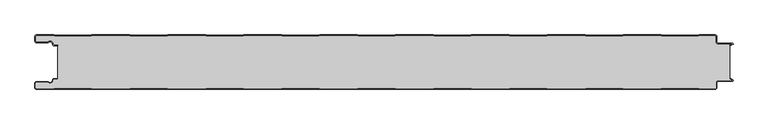
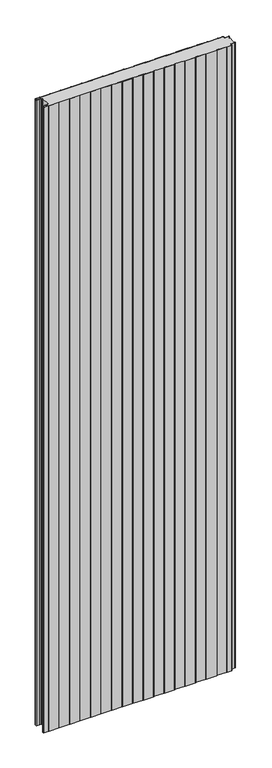
"""IFC4 building model written with IfcOpenShell, lengths in millimetres: plate geometry."""

from ifc_helpers import new_model, si_unit, point, frame_2d, origin, origin_with_axes, place, context, project, spatial, polyline, circle_curve, trimmed, segment, composite_curve, outline, extrude, source, transform, mapped, element, save


def plate_7081db1e(model_context):
    return source(origin(), model_context, "Body", "SweptSolid", [
        extrude(outline(composite_curve([segment(trimmed(circle_curve(frame_2d((-497.49499, -9.0180361)), 2.50501), [point((-497.49499, -11.5230461))], [point((-500.0, -9.0180361))], False, "CARTESIAN"), True, "CONTINUOUS"), segment(polyline([(-500.0, -9.0180361), (-500.0, -2.50501)]), True, "CONTINUOUS"), segment(trimmed(circle_curve(frame_2d((-497.49499, -2.50501)), 2.50501), [point((-500.0, -2.50501))], [point((-497.49499, 0.0))], False, "CARTESIAN"), True, "CONTINUOUS"), segment(polyline([(-497.49499, 0.0), (-472.2103007, 0.0), (-471.028188, -0.6012024), (-417.6391467, -0.6012024), (-416.457034, 0.0), (-360.8776353, 0.0), (-359.6955227, -0.6012024), (-306.3064814, -0.6012024), (-305.1243687, 0.0), (-249.54497, 0.0), (-248.3628573, -0.6012024), (-194.973816, -0.6012024), (-193.7917033, 0.0), (-138.2123047, 0.0), (-137.030192, -0.6012024), (-83.6411507, -0.6012024), (-82.459038, 0.0), (-26.8796393, 0.0), (-25.6975267, -0.6012024), (27.6915146, -0.6012024), (28.8736273, 0.0), (84.453026, 0.0), (85.6351387, -0.6012024), (139.02418, -0.6012024), (140.2062927, 0.0), (195.7856913, 0.0), (196.967804, -0.6012024), (250.3568453, -0.6012024), (251.538958, 0.0), (307.1183566, 0.0), (308.3004693, -0.6012024), (361.6895106, -0.6012024), (362.8716233, 0.0), (418.451022, 0.0), (419.6331347, -0.6012024), (473.022176, -0.6012024), (474.2042886, 0.0), (497.49499, 0.0)]), True, "CONTINUOUS"), segment(trimmed(circle_curve(frame_2d((497.49499, -2.50501)), 2.50501), [point((497.49499, 0.0))], [point((500.0, -2.50501))], False, "CARTESIAN"), True, "CONTINUOUS"), segment(polyline([(500.0, -2.50501), (500.0, -10.0200401)]), True, "CONTINUOUS"), segment(trimmed(circle_curve(frame_2d((502.004008, -10.0200401)), 2.004008), [point((500.0, -10.0200401))], [point((502.004008, -12.0240481))], True, "CARTESIAN"), True, "CONTINUOUS"), segment(polyline([(502.004008, -12.0240481), (523.0460922, -12.0240481)]), True, "CONTINUOUS"), segment(trimmed(circle_curve(frame_2d((523.0460922, -13.0260521)), 1.002004), [point((523.0460922, -12.0240481))], [point((523.5470942, -13.893813))], False, "CARTESIAN"), True, "CONTINUOUS"), segment(polyline([(523.5470942, -13.893813), (519.5390782, -16.2078422), (519.1390782, -15.5150218), (522.183956, -13.7570608)]), True, "CONTINUOUS"), segment(trimmed(circle_curve(frame_2d((521.933956, -13.3240481)), 0.5), [point((522.183956, -13.7570608))], [point((521.933956, -12.8240481))], True, "CARTESIAN"), True, "CONTINUOUS"), segment(polyline([(521.933956, -12.8240481), (502.004008, -12.8240481)]), True, "CONTINUOUS"), segment(trimmed(circle_curve(frame_2d((502.004008, -10.0200401)), 2.804008), [point((502.004008, -12.8240481))], [point((499.2, -10.0200401))], False, "CARTESIAN"), True, "CONTINUOUS"), segment(polyline([(499.2, -10.0200401), (499.2, -2.50501)]), True, "CONTINUOUS"), segment(trimmed(circle_curve(frame_2d((497.49499, -2.50501)), 1.70501), [point((499.2, -2.50501))], [point((497.49499, -0.8))], True, "CARTESIAN"), True, "CONTINUOUS"), segment(polyline([(497.49499, -0.8), (474.396035, -0.8), (473.2139223, -1.4012024), (419.4413883, -1.4012024), (418.2592756, -0.8), (363.0633697, -0.8), (361.881257, -1.4012024), (308.108723, -1.4012024), (306.9266103, -0.8), (251.7307044, -0.8), (250.5485917, -1.4012024), (196.7760576, -1.4012024), (195.5939449, -0.8), (140.398039, -0.8), (139.2159263, -1.4012024), (85.4433923, -1.4012024), (84.2612796, -0.8), (29.0653737, -0.8), (27.883261, -1.4012024), (-25.889273, -1.4012024), (-27.0713857, -0.8), (-82.2672916, -0.8), (-83.4494043, -1.4012024), (-137.2219384, -1.4012024), (-138.4040511, -0.8), (-193.599957, -0.8), (-194.7820696, -1.4012024), (-248.5546037, -1.4012024), (-249.7367164, -0.8), (-304.9326223, -0.8), (-306.114735, -1.4012024), (-359.887269, -1.4012024), (-361.0693817, -0.8), (-416.2652876, -0.8), (-417.4474003, -1.4012024), (-471.2199344, -1.4012024), (-472.4020471, -0.8), (-497.49499, -0.8)]), True, "CONTINUOUS"), segment(trimmed(circle_curve(frame_2d((-497.49499, -2.50501)), 1.70501), [point((-497.49499, -0.8))], [point((-499.2, -2.50501))], True, "CARTESIAN"), True, "CONTINUOUS"), segment(polyline([(-499.2, -2.50501), (-499.2, -9.0180361)]), True, "CONTINUOUS"), segment(trimmed(circle_curve(frame_2d((-497.49499, -9.0180361)), 1.70501), [point((-499.2, -9.0180361))], [point((-497.49499, -10.7230461))], True, "CARTESIAN"), True, "CONTINUOUS"), segment(polyline([(-497.49499, -10.7230461), (-481.8173283, -10.7230461)]), True, "CONTINUOUS"), segment(trimmed(circle_curve(frame_2d((-481.8173283, -9.0180361)), 1.70501), [point((-481.8173283, -10.7230461))], [point((-480.6895701, -10.2967936))], True, "CARTESIAN"), True, "CONTINUOUS"), segment(trimmed(circle_curve(frame_2d((-477.8407481, -13.5270541)), 4.307014), [point((-480.6895701, -10.2967936))], [point((-473.7934788, -12.0539686))], False, "CARTESIAN"), True, "CONTINUOUS"), segment(polyline([(-473.7934788, -12.0539686), (-473.0450711, -14.1102019)]), True, "CONTINUOUS"), segment(trimmed(circle_curve(frame_2d((-471.4428858, -13.5270541)), 1.70501), [point((-473.0450711, -14.1102019))], [point((-471.4428858, -15.2320641))], True, "CARTESIAN"), True, "CONTINUOUS"), segment(polyline([(-471.4428858, -15.2320641), (-466.4328657, -15.2320641), (-466.4328657, -16.0320641), (-471.4428858, -16.0320641)]), True, "CONTINUOUS"), segment(trimmed(circle_curve(frame_2d((-471.4428858, -13.5270541)), 2.50501), [point((-471.4428858, -16.0320641))], [point((-473.7968252, -14.383818))], False, "CARTESIAN"), True, "CONTINUOUS"), segment(polyline([(-473.7968252, -14.383818), (-474.5452329, -12.3275847)]), True, "CONTINUOUS"), segment(trimmed(circle_curve(frame_2d((-477.8407481, -13.5270541)), 3.507014), [point((-474.5452329, -12.3275847))], [point((-480.1604199, -10.8967936))], True, "CARTESIAN"), True, "CONTINUOUS"), segment(trimmed(circle_curve(frame_2d((-481.8173283, -9.0180361)), 2.50501), [point((-480.1604199, -10.8967936))], [point((-481.8173283, -11.5230461))], False, "CARTESIAN"), True, "CONTINUOUS"), segment(polyline([(-481.8173283, -11.5230461), (-497.49499, -11.5230461)]), True, "CONTINUOUS")], self_intersect=False)), origin_with_axes(), (0.0, 0.0, 1.0), 3500.0),
        extrude(outline(composite_curve([segment(trimmed(circle_curve(frame_2d((-471.4428858, -13.5270541)), 1.70501), [point((-471.4428858, -15.2320641))], [point((-473.0450711, -14.1102019))], False, "CARTESIAN"), True, "CONTINUOUS"), segment(polyline([(-473.0450711, -14.1102019), (-473.7934788, -12.0539686)]), True, "CONTINUOUS"), segment(trimmed(circle_curve(frame_2d((-477.8407481, -13.5270541)), 4.307014), [point((-473.7934788, -12.0539686))], [point((-480.6895701, -10.2967936))], True, "CARTESIAN"), True, "CONTINUOUS"), segment(trimmed(circle_curve(frame_2d((-481.8173283, -9.0180361)), 1.70501), [point((-480.6895701, -10.2967936))], [point((-481.8173283, -10.7230461))], False, "CARTESIAN"), True, "CONTINUOUS"), segment(polyline([(-481.8173283, -10.7230461), (-497.49499, -10.7230461)]), True, "CONTINUOUS"), segment(trimmed(circle_curve(frame_2d((-497.49499, -9.0180361)), 1.70501), [point((-497.49499, -10.7230461))], [point((-499.2, -9.0180361))], False, "CARTESIAN"), True, "CONTINUOUS"), segment(polyline([(-499.2, -9.0180361), (-499.2, -2.50501)]), True, "CONTINUOUS"), segment(trimmed(circle_curve(frame_2d((-497.49499, -2.50501)), 1.70501), [point((-499.2, -2.50501))], [point((-497.49499, -0.8))], False, "CARTESIAN"), True, "CONTINUOUS"), segment(polyline([(-497.49499, -0.8), (-472.4020471, -0.8), (-471.2199344, -1.4012024), (-417.4474003, -1.4012024), (-416.2652876, -0.8), (-361.0693817, -0.8), (-359.887269, -1.4012024), (-306.114735, -1.4012024), (-304.9326223, -0.8), (-249.7367164, -0.8), (-248.5546037, -1.4012024), (-194.7820696, -1.4012024), (-193.599957, -0.8), (-138.4040511, -0.8), (-137.2219384, -1.4012024), (-83.4494043, -1.4012024), (-82.2672916, -0.8), (-27.0713857, -0.8), (-25.889273, -1.4012024), (27.883261, -1.4012024), (29.0653737, -0.8), (84.2612796, -0.8), (85.4433923, -1.4012024), (139.2159263, -1.4012024), (140.398039, -0.8), (195.5939449, -0.8), (196.7760576, -1.4012024), (250.5485917, -1.4012024), (251.7307044, -0.8), (306.9266103, -0.8), (308.108723, -1.4012024), (361.881257, -1.4012024), (363.0633697, -0.8), (418.2592756, -0.8), (419.4413883, -1.4012024), (473.2139223, -1.4012024), (474.396035, -0.8), (497.49499, -0.8)]), True, "CONTINUOUS"), segment(trimmed(circle_curve(frame_2d((497.49499, -2.50501)), 1.70501), [point((497.49499, -0.8))], [point((499.2, -2.50501))], False, "CARTESIAN"), True, "CONTINUOUS"), segment(polyline([(499.2, -2.50501), (499.2, -10.0200401)]), True, "CONTINUOUS"), segment(trimmed(circle_curve(frame_2d((502.004008, -10.0200401)), 2.804008), [point((499.2, -10.0200401))], [point((502.004008, -12.8240481))], True, "CARTESIAN"), True, "CONTINUOUS"), segment(polyline([(502.004008, -12.8240481), (521.933956, -12.8240481)]), True, "CONTINUOUS"), segment(trimmed(circle_curve(frame_2d((521.933956, -13.3240481)), 0.5), [point((521.933956, -12.8240481))], [point((522.183956, -13.7570608))], False, "CARTESIAN"), True, "CONTINUOUS"), segment(polyline([(522.183956, -13.7570608), (519.1390782, -15.5150218), (519.1390782, -64.4849782), (522.183956, -66.2429392)]), True, "CONTINUOUS"), segment(trimmed(circle_curve(frame_2d((521.933956, -66.6759519)), 0.5), [point((522.183956, -66.2429392))], [point((521.933956, -67.1759519))], False, "CARTESIAN"), True, "CONTINUOUS"), segment(polyline([(521.933956, -67.1759519), (502.004008, -67.1759519)]), True, "CONTINUOUS"), segment(trimmed(circle_curve(frame_2d((502.004008, -69.9799599)), 2.804008), [point((502.004008, -67.1759519))], [point((499.2, -69.9799599))], True, "CARTESIAN"), True, "CONTINUOUS"), segment(polyline([(499.2, -69.9799599), (499.2, -77.49499)]), True, "CONTINUOUS"), segment(trimmed(circle_curve(frame_2d((497.49499, -77.49499)), 1.70501), [point((499.2, -77.49499))], [point((497.49499, -79.2))], False, "CARTESIAN"), True, "CONTINUOUS"), segment(polyline([(497.49499, -79.2), (474.396035, -79.2), (473.2139223, -78.5987976), (419.4413883, -78.5987976), (418.2592756, -79.2), (363.0633697, -79.2), (361.881257, -78.5987976), (308.108723, -78.5987976), (306.9266103, -79.2), (251.7307044, -79.2), (250.5485917, -78.5987976), (196.7760576, -78.5987976), (195.5939449, -79.2), (140.398039, -79.2), (139.2159263, -78.5987976), (85.4433923, -78.5987976), (84.2612796, -79.2), (29.0653737, -79.2), (27.883261, -78.5987976), (-25.889273, -78.5987976), (-27.0713857, -79.2), (-82.2672916, -79.2), (-83.4494043, -78.5987976), (-137.2219384, -78.5987976), (-138.4040511, -79.2), (-193.599957, -79.2), (-194.7820696, -78.5987976), (-248.5546037, -78.5987976), (-249.7367164, -79.2), (-304.9326223, -79.2), (-306.114735, -78.5987976), (-359.887269, -78.5987976), (-361.0693817, -79.2), (-416.2652876, -79.2), (-417.4474003, -78.5987976), (-471.2199344, -78.5987976), (-472.4020471, -79.2), (-497.49499, -79.2)]), True, "CONTINUOUS"), segment(trimmed(circle_curve(frame_2d((-497.49499, -77.49499)), 1.70501), [point((-497.49499, -79.2))], [point((-499.2, -77.49499))], False, "CARTESIAN"), True, "CONTINUOUS"), segment(polyline([(-499.2, -77.49499), (-499.2, -70.9819639)]), True, "CONTINUOUS"), segment(trimmed(circle_curve(frame_2d((-497.49499, -70.9819639)), 1.70501), [point((-499.2, -70.9819639))], [point((-497.49499, -69.2769539))], False, "CARTESIAN"), True, "CONTINUOUS"), segment(polyline([(-497.49499, -69.2769539), (-481.8173283, -69.2769539)]), True, "CONTINUOUS"), segment(trimmed(circle_curve(frame_2d((-481.8173283, -70.9819639)), 1.70501), [point((-481.8173283, -69.2769539))], [point((-480.6895701, -69.7032064))], False, "CARTESIAN"), True, "CONTINUOUS"), segment(trimmed(circle_curve(frame_2d((-477.8407481, -66.4729459)), 4.307014), [point((-480.6895701, -69.7032064))], [point((-473.7934788, -67.9460314))], True, "CARTESIAN"), True, "CONTINUOUS"), segment(polyline([(-473.7934788, -67.9460314), (-473.0450711, -65.8897981)]), True, "CONTINUOUS"), segment(trimmed(circle_curve(frame_2d((-471.4428858, -66.4729459)), 1.70501), [point((-473.0450711, -65.8897981))], [point((-471.4428858, -64.7679359))], False, "CARTESIAN"), True, "CONTINUOUS"), segment(polyline([(-471.4428858, -64.7679359), (-466.4328657, -64.7679359), (-466.4328657, -15.2320641), (-471.4428858, -15.2320641)]), True, "CONTINUOUS")], self_intersect=False)), origin_with_axes(), (0.0, 0.0, 1.0), 3500.0),
        extrude(outline(composite_curve([segment(polyline([(-497.49499, -68.4769539), (-481.8173283, -68.4769539)]), True, "CONTINUOUS"), segment(trimmed(circle_curve(frame_2d((-481.8173283, -70.9819639)), 2.50501), [point((-481.8173283, -68.4769539))], [point((-480.1604199, -69.1032064))], False, "CARTESIAN"), True, "CONTINUOUS"), segment(trimmed(circle_curve(frame_2d((-477.8407481, -66.4729459)), 3.507014), [point((-480.1604199, -69.1032064))], [point((-474.5452329, -67.6724153))], True, "CARTESIAN"), True, "CONTINUOUS"), segment(polyline([(-474.5452329, -67.6724153), (-473.7968252, -65.616182)]), True, "CONTINUOUS"), segment(trimmed(circle_curve(frame_2d((-471.4428858, -66.4729459)), 2.50501), [point((-473.7968252, -65.616182))], [point((-471.4428858, -63.9679359))], False, "CARTESIAN"), True, "CONTINUOUS"), segment(polyline([(-471.4428858, -63.9679359), (-466.4328657, -63.9679359), (-466.4328657, -64.7679359), (-471.4428858, -64.7679359)]), True, "CONTINUOUS"), segment(trimmed(circle_curve(frame_2d((-471.4428858, -66.4729459)), 1.70501), [point((-471.4428858, -64.7679359))], [point((-473.0450711, -65.8897981))], True, "CARTESIAN"), True, "CONTINUOUS"), segment(polyline([(-473.0450711, -65.8897981), (-473.7934788, -67.9460314)]), True, "CONTINUOUS"), segment(trimmed(circle_curve(frame_2d((-477.8407481, -66.4729459)), 4.307014), [point((-473.7934788, -67.9460314))], [point((-480.6895701, -69.7032064))], False, "CARTESIAN"), True, "CONTINUOUS"), segment(trimmed(circle_curve(frame_2d((-481.8173283, -70.9819639)), 1.70501), [point((-480.6895701, -69.7032064))], [point((-481.8173283, -69.2769539))], True, "CARTESIAN"), True, "CONTINUOUS"), segment(polyline([(-481.8173283, -69.2769539), (-497.49499, -69.2769539)]), True, "CONTINUOUS"), segment(trimmed(circle_curve(frame_2d((-497.49499, -70.9819639)), 1.70501), [point((-497.49499, -69.2769539))], [point((-499.2, -70.9819639))], True, "CARTESIAN"), True, "CONTINUOUS"), segment(polyline([(-499.2, -70.9819639), (-499.2, -77.49499)]), True, "CONTINUOUS"), segment(trimmed(circle_curve(frame_2d((-497.49499, -77.49499)), 1.70501), [point((-499.2, -77.49499))], [point((-497.49499, -79.2))], True, "CARTESIAN"), True, "CONTINUOUS"), segment(polyline([(-497.49499, -79.2), (-472.4020471, -79.2), (-471.2199344, -78.5987976), (-417.4474003, -78.5987976), (-416.2652876, -79.2), (-361.0693817, -79.2), (-359.887269, -78.5987976), (-306.114735, -78.5987976), (-304.9326223, -79.2), (-249.7367164, -79.2), (-248.5546037, -78.5987976), (-194.7820696, -78.5987976), (-193.599957, -79.2), (-138.4040511, -79.2), (-137.2219384, -78.5987976), (-83.4494043, -78.5987976), (-82.2672916, -79.2), (-27.0713857, -79.2), (-25.889273, -78.5987976), (27.883261, -78.5987976), (29.0653737, -79.2), (84.2612796, -79.2), (85.4433923, -78.5987976), (139.2159263, -78.5987976), (140.398039, -79.2), (195.5939449, -79.2), (196.7760576, -78.5987976), (250.5485917, -78.5987976), (251.7307044, -79.2), (306.9266103, -79.2), (308.108723, -78.5987976), (361.881257, -78.5987976), (363.0633697, -79.2), (418.2592756, -79.2), (419.4413883, -78.5987976), (473.2139223, -78.5987976), (474.396035, -79.2), (497.49499, -79.2)]), True, "CONTINUOUS"), segment(trimmed(circle_curve(frame_2d((497.49499, -77.49499)), 1.70501), [point((497.49499, -79.2))], [point((499.2, -77.49499))], True, "CARTESIAN"), True, "CONTINUOUS"), segment(polyline([(499.2, -77.49499), (499.2, -69.9799599)]), True, "CONTINUOUS"), segment(trimmed(circle_curve(frame_2d((502.004008, -69.9799599)), 2.804008), [point((499.2, -69.9799599))], [point((502.004008, -67.1759519))], False, "CARTESIAN"), True, "CONTINUOUS"), segment(polyline([(502.004008, -67.1759519), (521.933956, -67.1759519)]), True, "CONTINUOUS"), segment(trimmed(circle_curve(frame_2d((521.933956, -66.6759519)), 0.5), [point((521.933956, -67.1759519))], [point((522.183956, -66.2429392))], True, "CARTESIAN"), True, "CONTINUOUS"), segment(polyline([(522.183956, -66.2429392), (519.1390782, -64.4849782), (519.5390782, -63.7921578), (523.5470942, -66.106187)]), True, "CONTINUOUS"), segment(trimmed(circle_curve(frame_2d((523.0460922, -66.9739479)), 1.002004), [point((523.5470942, -66.106187))], [point((523.0460922, -67.9759519))], False, "CARTESIAN"), True, "CONTINUOUS"), segment(polyline([(523.0460922, -67.9759519), (502.004008, -67.9759519)]), True, "CONTINUOUS"), segment(trimmed(circle_curve(frame_2d((502.004008, -69.9799599)), 2.004008), [point((502.004008, -67.9759519))], [point((500.0, -69.9799599))], True, "CARTESIAN"), True, "CONTINUOUS"), segment(polyline([(500.0, -69.9799599), (500.0, -77.49499)]), True, "CONTINUOUS"), segment(trimmed(circle_curve(frame_2d((497.49499, -77.49499)), 2.50501), [point((500.0, -77.49499))], [point((497.49499, -80.0))], False, "CARTESIAN"), True, "CONTINUOUS"), segment(polyline([(497.49499, -80.0), (474.2042886, -80.0), (473.022176, -79.3987976), (419.6331347, -79.3987976), (418.451022, -80.0), (362.8716233, -80.0), (361.6895106, -79.3987976), (308.3004693, -79.3987976), (307.1183566, -80.0), (251.538958, -80.0), (250.3568453, -79.3987976), (196.967804, -79.3987976), (195.7856913, -80.0), (140.2062927, -80.0), (139.02418, -79.3987976), (85.6351387, -79.3987976), (84.453026, -80.0), (28.8736273, -80.0), (27.6915146, -79.3987976), (-25.6975267, -79.3987976), (-26.8796393, -80.0), (-82.459038, -80.0), (-83.6411507, -79.3987976), (-137.030192, -79.3987976), (-138.2123047, -80.0), (-193.7917033, -80.0), (-194.973816, -79.3987976), (-248.3628573, -79.3987976), (-249.54497, -80.0), (-305.1243687, -80.0), (-306.3064814, -79.3987976), (-359.6955227, -79.3987976), (-360.8776353, -80.0), (-416.457034, -80.0), (-417.6391467, -79.3987976), (-471.028188, -79.3987976), (-472.2103007, -80.0), (-497.49499, -80.0)]), True, "CONTINUOUS"), segment(trimmed(circle_curve(frame_2d((-497.49499, -77.49499)), 2.50501), [point((-497.49499, -80.0))], [point((-500.0, -77.49499))], False, "CARTESIAN"), True, "CONTINUOUS"), segment(polyline([(-500.0, -77.49499), (-500.0, -70.9819639)]), True, "CONTINUOUS"), segment(trimmed(circle_curve(frame_2d((-497.49499, -70.9819639)), 2.50501), [point((-500.0, -70.9819639))], [point((-497.49499, -68.4769539))], False, "CARTESIAN"), True, "CONTINUOUS")], self_intersect=False)), origin_with_axes(), (0.0, 0.0, 1.0), 3500.0),
    ])


if __name__ == "__main__":
    model = new_model("IFC4")
    model_context = context("Model", 3, world=origin())
    ifc_project = project(units=[si_unit("LENGTHUNIT", "METRE", prefix="MILLI")], contexts=[model_context])
    site = spatial("IfcSite", under=ifc_project)
    building = spatial("IfcBuilding", under=site)
    placement = place(None, origin())
    plate_shape = plate_7081db1e(model_context)
    element("IfcPlate", 1, at=placement, inside=building, context=model_context, shape_type="MappedRepresentation", body=[
        mapped(plate_shape, transform((0.0, 0.0, 0.0), x_axis=(1.0, 0.0, 0.0), y_axis=(0.0, 1.0, 0.0), z_axis=(0.0, 0.0, 1.0))),
    ])
    save(model, "model.ifc")
